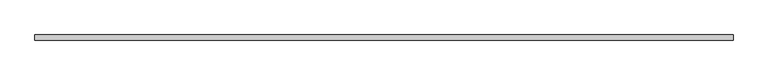
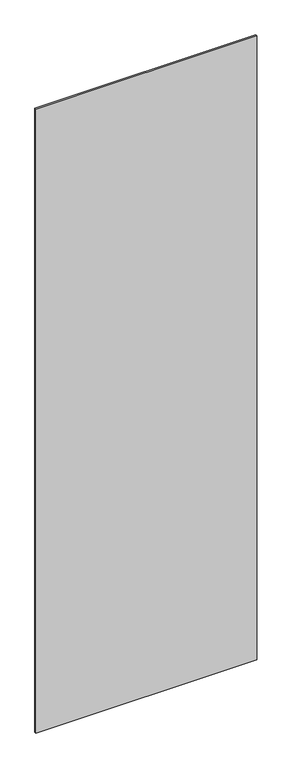
"""IFC4 building model written with IfcOpenShell, lengths in millimetres: plate geometry."""

import ifcopenshell
import ifcopenshell.guid

model = None  # the IFC model being written
_history = None  # IfcOwnerHistory: only IFC2X3 demands one
_inside = {}  # id of a spatial element -> (the spatial element, [elements in it])
_under = {}  # id of a project, library or spatial element -> (it, [spatial elements below it])
_declared = {}  # id of a project -> (the project, [libraries it declares])
_typed = {}  # id of a type object -> (the type object, [elements of that type])
_made_of = {}  # id of a material, layer set ... -> (it, [elements and type objects made of it])


def new_model(schema):
    """Start an empty IFC model of exactly this schema.

    Asked for "IFC4X3", IfcOpenShell would pick the latest addendum, in which some entities
    have other attributes; the version numbers below select the first issue.
    IFC2X3 requires an IfcOwnerHistory on every rooted entity: one is made here for all.
    """
    global model, _history
    if schema == "IFC4X3":
        model = ifcopenshell.file(schema_version=(4, 3, 0, 0))
    else:
        model = ifcopenshell.file(schema=schema)
    _inside.clear()
    _under.clear()
    _declared.clear()
    _typed.clear()
    _made_of.clear()
    _history = None
    if model.schema == "IFC2X3":
        org = make("IfcOrganization", Name="unknown")
        user = make(
            "IfcPersonAndOrganization",
            ThePerson=make("IfcPerson", FamilyName="unknown"),
            TheOrganization=org,
        )
        app = make(
            "IfcApplication",
            ApplicationDeveloper=org,
            Version="unknown",
            ApplicationFullName="unknown",
            ApplicationIdentifier="unknown",
        )
        _history = make(
            "IfcOwnerHistory",
            OwningUser=user,
            OwningApplication=app,
            ChangeAction="ADDED",
            CreationDate=0,
        )
    return model


def make(cls, **values):
    """One entity of the class cls with the attributes given. An attribute that is None is left unset."""
    return model.create_entity(
        cls, **{name: value for name, value in values.items() if value is not None}
    )


def rooted(cls, **values):
    """An entity with a GlobalId (a new one), such as an element, a storey or a relation."""
    return make(cls, GlobalId=ifcopenshell.guid.new(), OwnerHistory=_history, **values)


def si_unit(unit_type, name, prefix=None):
    """IfcSIUnit, for example si_unit("LENGTHUNIT", "METRE", prefix="MILLI")."""
    return make("IfcSIUnit", UnitType=unit_type, Prefix=prefix, Name=name)


def assignment(units):
    """IfcUnitAssignment: the units of a project."""
    return None if units is None else make("IfcUnitAssignment", Units=units)


def point(xyz):
    """IfcCartesianPoint."""
    return None if xyz is None else make("IfcCartesianPoint", Coordinates=xyz)


def direction(xyz):
    """IfcDirection."""
    return None if xyz is None else make("IfcDirection", DirectionRatios=xyz)


def frame(location, z_axis=None, x_axis=None):
    """IfcAxis2Placement3D, a coordinate frame: its origin and axes. An axis left out is left unset."""
    return make(
        "IfcAxis2Placement3D",
        Location=point(location),
        Axis=direction(z_axis),
        RefDirection=direction(x_axis),
    )


def origin():
    """The frame at (0, 0, 0) with its axes left unset."""
    return frame((0.0, 0.0, 0.0))


def origin_with_axes():
    """The frame at (0, 0, 0) with the z axis (0, 0, 1) and the x axis (1, 0, 0) written out."""
    return frame((0.0, 0.0, 0.0), z_axis=(0.0, 0.0, 1.0), x_axis=(1.0, 0.0, 0.0))


def place(relative_to, where):
    """IfcLocalPlacement: puts the frame where relative to a parent placement (None: the world)."""
    return make(
        "IfcLocalPlacement", PlacementRelTo=relative_to, RelativePlacement=where
    )


def context(
    kind, dimensions, precision=None, world=None, true_north=None, identifier=None
):
    """IfcGeometricRepresentationContext, for example the 3D "Model" context."""
    return make(
        "IfcGeometricRepresentationContext",
        ContextIdentifier=identifier,
        ContextType=kind,
        CoordinateSpaceDimension=dimensions,
        Precision=precision,
        WorldCoordinateSystem=world,
        TrueNorth=true_north,
    )


def project(units=None, contexts=None):
    """IfcProject with its units and contexts."""
    return rooted(
        "IfcProject",
        Name="project",
        RepresentationContexts=contexts,
        UnitsInContext=assignment(units),
    )


def spatial(cls, under=None, at=None, **own):
    """A site, building, storey or space (cls), placed at a placement, below another one or the project."""
    s = rooted(cls, ObjectPlacement=at, **own)
    if under is not None:
        _under.setdefault(under.id(), (under, []))[1].append(s)
    return s


def polyline(points):
    """IfcPolyline through the points."""
    return make("IfcPolyline", Points=[point(p) for p in points])


def outline(outer, holes=None, kind="AREA"):
    """IfcArbitraryClosedProfileDef: a profile drawn as a closed curve; with holes, ...WithVoids."""
    if holes is None:
        return make("IfcArbitraryClosedProfileDef", ProfileType=kind, OuterCurve=outer)
    return make(
        "IfcArbitraryProfileDefWithVoids",
        ProfileType=kind,
        OuterCurve=outer,
        InnerCurves=holes,
    )


def extrude(swept, where, along, depth):
    """IfcExtrudedAreaSolid: the profile swept, set in the frame where, extruded along a direction by depth."""
    return make(
        "IfcExtrudedAreaSolid",
        SweptArea=swept,
        Position=where,
        ExtrudedDirection=direction(along),
        Depth=depth,
    )


def shape(context_of_items, identifier, shape_type, items):
    """IfcShapeRepresentation: the items that make up one representation, for example the "Body"."""
    return make(
        "IfcShapeRepresentation",
        ContextOfItems=context_of_items,
        RepresentationIdentifier=identifier,
        RepresentationType=shape_type,
        Items=items,
    )


def source(mapping_origin, context_of_items, identifier, shape_type, items):
    """IfcRepresentationMap: a shape defined once, which mapped items show again and again."""
    return make(
        "IfcRepresentationMap",
        MappingOrigin=mapping_origin,
        MappedRepresentation=shape(context_of_items, identifier, shape_type, items),
    )


def transform(
    local_origin,
    x_axis=None,
    y_axis=None,
    z_axis=None,
    scale=None,
    scale2=None,
    scale3=None,
    uniform=True,
):
    """IfcCartesianTransformationOperator3D, or its non-uniform kind. x_axis, y_axis, z_axis: its Axis1, 2, 3."""
    if uniform:
        return make(
            "IfcCartesianTransformationOperator3D",
            Axis1=direction(x_axis),
            Axis2=direction(y_axis),
            LocalOrigin=point(local_origin),
            Scale=scale,
            Axis3=direction(z_axis),
        )
    return make(
        "IfcCartesianTransformationOperator3DnonUniform",
        Axis1=direction(x_axis),
        Axis2=direction(y_axis),
        LocalOrigin=point(local_origin),
        Scale=scale,
        Axis3=direction(z_axis),
        Scale2=scale2,
        Scale3=scale3,
    )


def mapped(mapping_source, mapping_target):
    """IfcMappedItem: shows the shape of a source again, moved by a transform."""
    return make(
        "IfcMappedItem", MappingSource=mapping_source, MappingTarget=mapping_target
    )


def made_of(thing, what):
    """Note that an element or type object is made of a material, layer set ...; save() writes the relation."""
    if what is not None:
        _made_of.setdefault(what.id(), (what, []))[1].append(thing)
    return thing


def element(
    cls,
    number,
    at=None,
    inside=None,
    cuts=None,
    type_object=None,
    material=None,
    context=None,
    identifier="Body",
    shape_type=None,
    held_by="IfcProductDefinitionShape",
    body=None,
    shapes=None,
    **own,
):
    """One element of the class cls, such as IfcWall. Its Tag is "e" and its number.

    at: its placement. inside: the storey or other place that contains it. cuts: it is an
    opening in that element (IfcRelVoidsElement). A single representation is given by context,
    identifier, shape_type and body (its items); several are given by shapes. held_by: the class
    of the entity that holds the representations. save() writes the other relations.
    """
    e = rooted(cls, Tag="e%d" % number, ObjectPlacement=at, **own)
    if body is not None:
        shapes = [shape(context, identifier, shape_type, body)]
    if shapes is not None:
        e.Representation = make(held_by, Representations=shapes)
    if inside is not None:
        _inside.setdefault(inside.id(), (inside, []))[1].append(e)
    if cuts is not None:
        rooted(
            "IfcRelVoidsElement", RelatingBuildingElement=cuts, RelatedOpeningElement=e
        )
    if type_object is not None:
        _typed.setdefault(type_object.id(), (type_object, []))[1].append(e)
    return made_of(e, material)


def aggregate(whole, parts):
    """IfcRelAggregates: a whole, such as a stair, and the parts it consists of."""
    return rooted("IfcRelAggregates", RelatingObject=whole, RelatedObjects=parts)


def save(model, path):
    """Write the relations noted so far, then the file.

    IfcRelAggregates (storeys below a building ...), IfcRelContainedInSpatialStructure (elements
    in a storey), IfcRelDefinesByType, IfcRelAssociatesMaterial and IfcRelDeclares: one each for
    every whole, place, type object, material and project.
    """
    for whole, parts in _under.values():
        aggregate(whole, parts)
    for where, things in _inside.values():
        rooted(
            "IfcRelContainedInSpatialStructure",
            RelatedElements=things,
            RelatingStructure=where,
        )
    for kind, things in _typed.values():
        rooted("IfcRelDefinesByType", RelatedObjects=things, RelatingType=kind)
    for what, things in _made_of.values():
        rooted("IfcRelAssociatesMaterial", RelatedObjects=things, RelatingMaterial=what)
    for by, libraries in _declared.values():
        rooted("IfcRelDeclares", RelatingContext=by, RelatedDefinitions=libraries)
    model.write(path)


def plate_c5656bf9(model_context):
    return source(origin(), model_context, "Body", "SweptSolid", [
        extrude(outline(polyline([(646.442886, -5.0), (-646.442886, -5.0), (-646.442886, 5.0), (646.442886, 5.0), (646.442886, -5.0)])), origin_with_axes(), (0.0, 0.0, 1.0), 3860.0),
    ])


if __name__ == "__main__":
    model = new_model("IFC4")
    model_context = context("Model", 3, world=origin())
    ifc_project = project(units=[si_unit("LENGTHUNIT", "METRE", prefix="MILLI")], contexts=[model_context])
    site = spatial("IfcSite", under=ifc_project)
    building = spatial("IfcBuilding", under=site)
    placement = place(None, origin())
    plate_shape = plate_c5656bf9(model_context)
    element("IfcPlate", 1, at=placement, inside=building, context=model_context, shape_type="MappedRepresentation", body=[
        mapped(plate_shape, transform((0.0, 0.0, 0.0), x_axis=(1.0, 0.0, 0.0), y_axis=(0.0, 1.0, 0.0), z_axis=(0.0, 0.0, 1.0))),
    ])
    save(model, "model.ifc")
